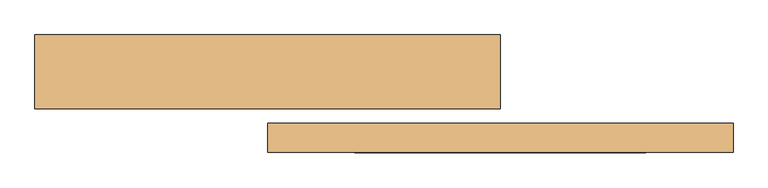
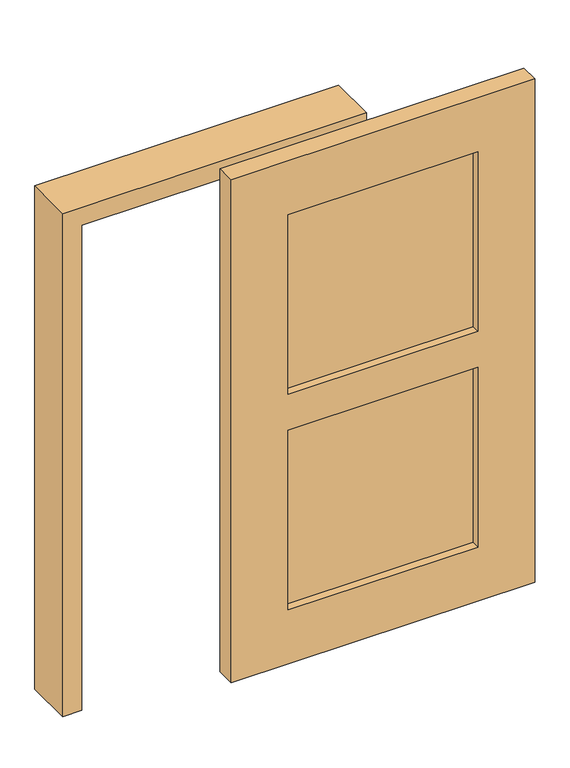
"""IFC4 building model written with IfcOpenShell, lengths in millimetres: door geometry."""

from ifc_helpers import new_model, si_unit, frame, origin, place, context, project, spatial, polyline, outline, extrude, source, transform, mapped, element, save


def door_16122b08(model_context):
    return source(origin(), model_context, "Body", "SweptSolid", [
        extrude(outline(polyline([(990.6, -167.7876379), (990.6, -178.2873621), (228.6, -178.2873621), (228.6, -167.7876379), (990.6, -167.7876379)])), frame((0.0, 0.0, 228.6), z_axis=(0.0, 0.0, 1.0), x_axis=(1.0, 0.0, 0.0)), (0.0, 0.0, 1.0), 762.0),
        extrude(outline(polyline([(990.6, -167.7876379), (990.6, -178.2873621), (228.6, -178.2873621), (228.6, -167.7876379), (990.6, -167.7876379)])), frame((0.0, 0.0, 1143.0), z_axis=(0.0, 0.0, 1.0), x_axis=(1.0, 0.0, 0.0)), (0.0, 0.0, 1.0), 762.0),
        extrude(outline(polyline([(0.0, 1219.1773827), (2133.6, 1219.1773827), (2133.6, 0.0), (0.0, 0.0), (0.0, 1219.1773827)]), holes=[polyline([(228.6, 228.6), (990.6, 228.6), (990.6, 990.6), (228.6, 990.6), (228.6, 228.6)]), polyline([(1905.0, 228.6), (1905.0, 990.6), (1143.0, 990.6), (1143.0, 228.6), (1905.0, 228.6)])]), frame((0.0, -211.1375, 0.0), z_axis=(0.0, 1.0, 0.0), x_axis=(0.0, 0.0, 1.0)), (0.0, 0.0, 1.0), 76.2),
        extrude(outline(polyline([(2057.4, -533.4), (2057.4, 533.4), (0.0, 533.4), (0.0, 609.6), (2133.6, 609.6), (2133.6, -609.6), (0.0, -609.6), (0.0, -533.4), (2057.4, -533.4)])), frame((0.0, -96.8375, 0.0), z_axis=(0.0, 1.0, 0.0), x_axis=(0.0, 0.0, 1.0)), (0.0, 0.0, 1.0), 193.675),
    ])


if __name__ == "__main__":
    model = new_model("IFC4")
    model_context = context("Model", 3, world=origin())
    ifc_project = project(units=[si_unit("LENGTHUNIT", "METRE", prefix="MILLI")], contexts=[model_context])
    site = spatial("IfcSite", under=ifc_project)
    building = spatial("IfcBuilding", under=site)
    placement = place(None, origin())
    door_shape = door_16122b08(model_context)
    element("IfcDoor", 1, at=placement, inside=building, context=model_context, shape_type="MappedRepresentation", body=[
        mapped(door_shape, transform((0.0, 0.0, 0.0), x_axis=(1.0, 0.0, 0.0), y_axis=(0.0, 1.0, 0.0), z_axis=(0.0, 0.0, 1.0))),
    ])
    save(model, "model.ifc")
